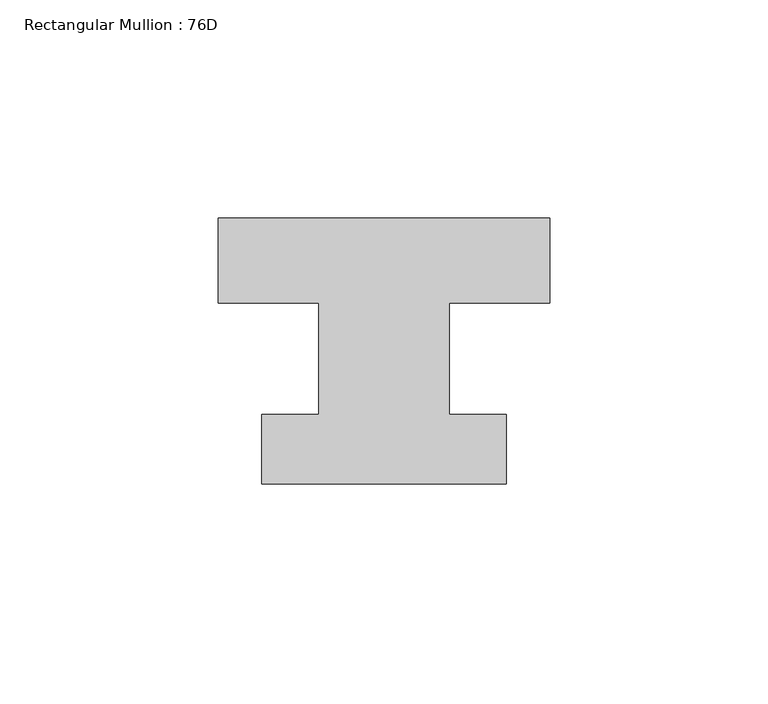
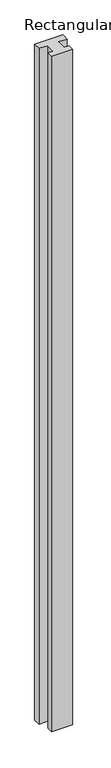
"""IFC4 building model written with IfcOpenShell, lengths in millimetres: member geometry, Rectangular Mullion : 76D."""

from ifc_helpers import new_model, si_unit, frame, origin, place, context, project, spatial, polyline, outline, extrude, source, transform, mapped, element, save


def rectangular_mullion_76d_581b7d06(model_context):
    return source(origin(), model_context, "Body", "SweptSolid", [
        extrude(outline(polyline([(38.0, 20.0), (38.0, 0.5), (15.0, 0.5), (15.0, -25.0), (28.0, -25.0), (28.0, -41.0), (-28.0, -41.0), (-28.0, -25.0), (-15.0, -25.0), (-15.0, 0.5), (-38.0, 0.5), (-38.0, 20.0), (38.0, 20.0)])), frame((0.0, 0.0, -1917.0), z_axis=(0.0, 0.0, 1.0), x_axis=(1.0, 0.0, 0.0)), (0.0, 0.0, 1.0), 1917.0),
    ])


if __name__ == "__main__":
    model = new_model("IFC4")
    model_context = context("Model", 3, world=origin())
    ifc_project = project(units=[si_unit("LENGTHUNIT", "METRE", prefix="MILLI")], contexts=[model_context])
    site = spatial("IfcSite", under=ifc_project)
    building = spatial("IfcBuilding", under=site)
    placement = place(None, origin())
    rectangular_mullion_76d_shape = rectangular_mullion_76d_581b7d06(model_context)
    element("IfcMember", 1, ObjectType="Rectangular Mullion : 76D", at=placement, inside=building, context=model_context, shape_type="MappedRepresentation", body=[
        mapped(rectangular_mullion_76d_shape, transform((0.0, 0.0, 0.0), x_axis=(1.0, 0.0, 0.0), y_axis=(0.0, 1.0, 0.0), z_axis=(0.0, 0.0, 1.0))),
    ])
    save(model, "model.ifc")
